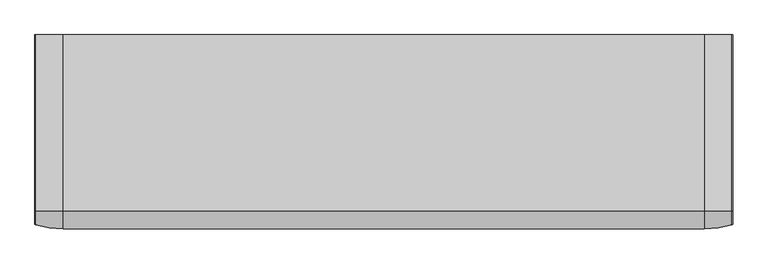
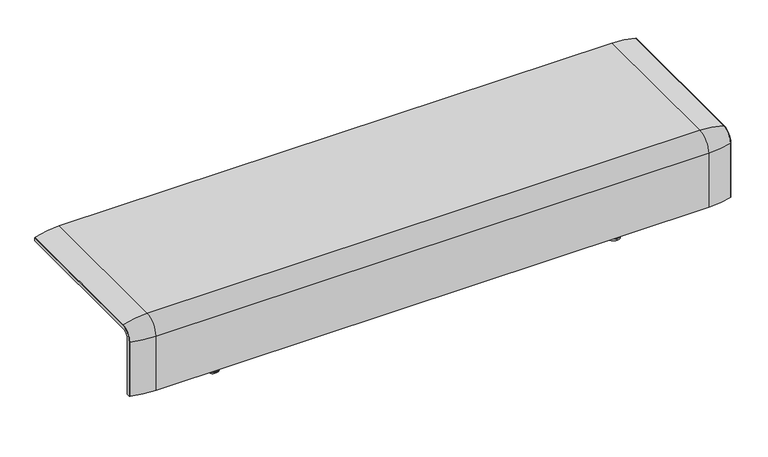
"""IFC4 building model written with IfcOpenShell, lengths in millimetres: furniture geometry."""

from ifc_helpers import new_model, si_unit, point, frame, origin, place, context, project, spatial, polyline, circle_curve, ellipse_curve, trimmed, source, transform, mapped, element, save
from ifc_brep_helpers import plane_surface, cylinder_surface, revolved_surface, advanced_brep


def furniture_37cb71a6(model_context):
    return source(origin(), model_context, "Body", "AdvancedBrep", [
        advanced_brep(
        [(-1223.9718733, -368.7793679, 100.5089435), (-1223.9718733, -357.5, 100.5089435), (1223.9718733, -357.5, 100.5089435), (1223.9718733, -368.7793679, 100.5089435), (1221.8332448, -371.6530483, 100.5089435), (1123.9718733, -386.0043559, 100.5089435), (-1123.9718733, -386.0043559, 100.5089435), (-1221.8332448, -371.6530483, 100.5089435), (-1223.9718733, 295.0, 377.4518019), (-1221.8332448, 295.0, 380.3254823), (-1123.9718733, 295.0, 394.67679), (1123.9718733, 295.0, 394.67679), (1221.8332448, 295.0, 380.3254823), (1223.9718733, 295.0, 377.4518019), (1223.9718733, 295.0, 366.172434), (-1223.9718733, 295.0, 366.172434), (-1223.9718733, -368.7793679, 333.0583003), (-1223.9718733, -324.3858663, 377.4518019), (-1223.9718733, -324.3858663, 366.172434), (-1223.9718733, -357.5, 333.0583003), (1223.9718733, -357.5, 333.0583003), (1123.9718733, -386.0043559, 333.0583003), (-1123.9718733, -386.0043559, 333.0583003), (-1221.8332448, -371.6530483, 333.0583003), (1223.9718733, -324.3858663, 366.172434), (-1123.9718733, -324.3858663, 394.67679), (1123.9718733, -324.3858663, 394.67679), (-1221.8332448, -324.3858663, 380.3254823), (1223.9718733, -324.3858663, 377.4518019), (1223.9718733, -368.7793679, 333.0583003), (1221.8332448, -371.6530483, 333.0583003), (1221.8332448, -324.3858663, 380.3254823)],
        [
            (0, 1),
            (1, 2),
            (2, 3),
            (3, 4, circle_curve(frame((1220.9718733, -368.7793679, 100.5089435), z_axis=(0.0, 0.0, -1.0), x_axis=(-1.0, 0.0, 0.0)), 3.0)),
            (4, 5, circle_curve(frame((1123.9718733, -45.1710226, 100.5089435), z_axis=(0.0, 0.0, -1.0), x_axis=(0.0, 1.0, 0.0)), 340.8333333)),
            (5, 6),
            (6, 7, circle_curve(frame((-1123.9718733, -45.1710226, 100.5089435), z_axis=(0.0, 0.0, -1.0), x_axis=(0.0, 1.0, 0.0)), 340.8333333)),
            (7, 0, circle_curve(frame((-1220.9718733, -368.7793679, 100.5089435), z_axis=(0.0, 0.0, -1.0), x_axis=(1.0, 0.0, 0.0)), 3.0)),
            (8, 9, circle_curve(frame((-1220.9718733, 295.0, 377.4518019), z_axis=(0.0, 1.0, 0.0), x_axis=(1.0, 0.0, 0.0)), 3.0)),
            (9, 10, circle_curve(frame((-1123.9718733, 295.0, 53.8434566), z_axis=(0.0, 1.0, 0.0), x_axis=(0.0, 0.0, -1.0)), 340.8333333)),
            (10, 11),
            (11, 12, circle_curve(frame((1123.9718733, 295.0, 53.8434566), z_axis=(0.0, 1.0, 0.0), x_axis=(0.0, 0.0, -1.0)), 340.8333333)),
            (12, 13, circle_curve(frame((1220.9718733, 295.0, 377.4518019), z_axis=(0.0, 1.0, 0.0), x_axis=(-1.0, 0.0, 0.0)), 3.0)),
            (13, 14),
            (14, 15),
            (15, 8),
            (0, 16),
            (16, 17, circle_curve(frame((-1223.9718733, -324.3858663, 333.0583003), z_axis=(-1.0, 0.0, 0.0), x_axis=(0.0, -1.0, 0.0)), 44.3935016)),
            (17, 8),
            (15, 18),
            (18, 19, circle_curve(frame((-1223.9718733, -324.3858663, 333.0583003), z_axis=(1.0, 0.0, 0.0), x_axis=(0.0, -1.0, 0.0)), 33.1141337)),
            (19, 1),
            (19, 20),
            (20, 2),
            (5, 21),
            (21, 22),
            (22, 6),
            (22, 23, circle_curve(frame((-1123.9718733, -45.1710226, 333.0583003), z_axis=(0.0, 0.0, -1.0), x_axis=(0.0, 1.0, 0.0)), 340.8333333)),
            (23, 7),
            (23, 16, circle_curve(frame((-1220.9718733, -368.7793679, 333.0583003), z_axis=(0.0, 0.0, -1.0), x_axis=(1.0, 0.0, 0.0)), 3.0)),
            (24, 20, circle_curve(frame((1223.9718733, -324.3858663, 333.0583003), z_axis=(1.0, 0.0, 0.0), x_axis=(0.0, -1.0, 0.0)), 33.1141337)),
            (18, 24),
            (25, 22, circle_curve(frame((-1123.9718733, -324.3858663, 333.0583003), z_axis=(1.0, 0.0, 0.0), x_axis=(0.0, -1.0, 0.0)), 61.6184897)),
            (21, 26, circle_curve(frame((1123.9718733, -324.3858663, 333.0583003), z_axis=(-1.0, 0.0, 0.0), x_axis=(0.0, -1.0, 0.0)), 61.6184897)),
            (26, 25),
            (27, 23, circle_curve(frame((-1221.8332448, -324.3858663, 333.0583003), z_axis=(1.0, 0.0, 0.0), x_axis=(0.0, -1.0, 0.0)), 47.267182)),
            (25, 27, circle_curve(frame((-1123.9718733, -324.3858663, 53.8434566), z_axis=(0.0, -1.0, 0.0), x_axis=(0.0, 0.0, -1.0)), 340.8333333)),
            (27, 17, circle_curve(frame((-1220.9718733, -324.3858663, 377.4518019), z_axis=(0.0, -1.0, 0.0), x_axis=(1.0, 0.0, 0.0)), 3.0)),
            (14, 24),
            (26, 11),
            (10, 25),
            (9, 27),
            (13, 28),
            (28, 29, circle_curve(frame((1223.9718733, -324.3858663, 333.0583003), z_axis=(1.0, 0.0, 0.0), x_axis=(0.0, -1.0, 0.0)), 44.3935016)),
            (29, 3),
            (29, 30, circle_curve(frame((1220.9718733, -368.7793679, 333.0583003), z_axis=(0.0, 0.0, -1.0), x_axis=(-1.0, 0.0, 0.0)), 3.0)),
            (30, 4),
            (30, 21, circle_curve(frame((1123.9718733, -45.1710226, 333.0583003), z_axis=(0.0, 0.0, -1.0), x_axis=(0.0, 1.0, 0.0)), 340.8333333)),
            (31, 30, circle_curve(frame((1221.8332448, -324.3858663, 333.0583003), z_axis=(1.0, 0.0, 0.0), x_axis=(0.0, -1.0, 0.0)), 47.267182)),
            (28, 31, circle_curve(frame((1220.9718733, -324.3858663, 377.4518019), z_axis=(0.0, -1.0, 0.0), x_axis=(-1.0, 0.0, 0.0)), 3.0)),
            (31, 26, circle_curve(frame((1123.9718733, -324.3858663, 53.8434566), z_axis=(0.0, -1.0, 0.0), x_axis=(0.0, 0.0, -1.0)), 340.8333333)),
            (12, 31),
        ],
        [
            plane_surface(frame((-1223.9718733, -357.5, 100.5089435), z_axis=(0.0, 0.0, -1.0), x_axis=(1.0, 0.0, 0.0))),
            plane_surface(frame((-1223.9718733, 295.0, 366.172434), z_axis=(0.0, 1.0, 0.0), x_axis=(1.0, 0.0, 0.0))),
            plane_surface(frame((-1223.9718733, -368.7793679, 100.5089435), z_axis=(-1.0, 0.0, 0.0), x_axis=(0.0, 0.0, 1.0))),
            plane_surface(frame((-1223.9718733, -357.5, 100.5089435), z_axis=(0.0, 1.0, 0.0), x_axis=(0.0, 0.0, 1.0))),
            plane_surface(frame((1123.9718733, -386.0043559, 100.5089435), z_axis=(0.0, -1.0, 0.0), x_axis=(0.0, 0.0, 1.0))),
            cylinder_surface(frame((-1123.9718733, -45.1710226, 100.5089435), z_axis=(0.0, 0.0, -1.0), x_axis=(0.0, 1.0, 0.0)), 340.8333333),
            cylinder_surface(frame((-1220.9718733, -368.7793679, 100.5089435), z_axis=(0.0, 0.0, -1.0), x_axis=(1.0, 0.0, 0.0)), 3.0),
            revolved_surface(polyline([(-1223.9718733, -357.5, 333.0583003), (1223.9718733, -357.5, 333.0583003)]), (-1223.9718733, -324.3858663, 333.0583003), (-1.0, 0.0, 0.0)),
            cylinder_surface(frame((-1223.9718733, -324.3858663, 333.0583003), z_axis=(-1.0, 0.0, 0.0), x_axis=(0.0, -1.0, 0.0)), 61.6184897),
            revolved_surface(trimmed(ellipse_curve(frame((-1123.9718733, -45.1710226, 333.0583003), z_axis=(0.0, 0.0, -1.0), x_axis=(0.0, 1.0, 0.0)), 340.8333333, 340.8333333), [point((-1123.9718733, -386.0043559, 333.0583003))], [point((-1221.8332448, -371.6530483, 333.0583003))], True, "CARTESIAN"), (-1223.9718733, -324.3858663, 333.0583003), (-1.0, 0.0, 0.0)),
            revolved_surface(trimmed(ellipse_curve(frame((-1220.9718733, -368.7793679, 333.0583003), z_axis=(0.0, 0.0, -1.0), x_axis=(1.0, 0.0, 0.0)), 3.0, 3.0), [point((-1221.8332448, -371.6530483, 333.0583003))], [point((-1223.9718733, -368.7793679, 333.0583003))], True, "CARTESIAN"), (-1223.9718733, -324.3858663, 333.0583003), (-1.0, 0.0, 0.0)),
            plane_surface(frame((-1223.9718733, -324.3858663, 366.172434), z_axis=(0.0, 0.0, -1.0), x_axis=(0.0, 1.0, 0.0))),
            plane_surface(frame((1123.9718733, -324.3858663, 394.67679), z_axis=(0.0, 0.0, 1.0), x_axis=(0.0, 1.0, 0.0))),
            cylinder_surface(frame((-1123.9718733, -324.3858663, 53.8434566), z_axis=(0.0, -1.0, 0.0), x_axis=(0.0, 0.0, -1.0)), 340.8333333),
            cylinder_surface(frame((-1220.9718733, -324.3858663, 377.4518019), z_axis=(0.0, -1.0, 0.0), x_axis=(1.0, 0.0, 0.0)), 3.0),
            plane_surface(frame((1223.9718733, -357.5, 100.5089435), z_axis=(1.0, 0.0, 0.0), x_axis=(0.0, 0.0, 1.0))),
            cylinder_surface(frame((1220.9718733, -368.7793679, 100.5089435), z_axis=(0.0, 0.0, -1.0), x_axis=(-1.0, 0.0, 0.0)), 3.0),
            cylinder_surface(frame((1123.9718733, -45.1710226, 100.5089435), z_axis=(0.0, 0.0, -1.0), x_axis=(0.0, 1.0, 0.0)), 340.8333333),
            revolved_surface(trimmed(ellipse_curve(frame((1220.9718733, -368.7793679, 333.0583003), z_axis=(0.0, 0.0, -1.0), x_axis=(-1.0, 0.0, 0.0)), 3.0, 3.0), [point((1223.9718733, -368.7793679, 333.0583003))], [point((1221.8332448, -371.6530483, 333.0583003))], True, "CARTESIAN"), (-1223.9718733, -324.3858663, 333.0583003), (-1.0, 0.0, 0.0)),
            revolved_surface(trimmed(ellipse_curve(frame((1123.9718733, -45.1710226, 333.0583003), z_axis=(0.0, 0.0, -1.0), x_axis=(0.0, 1.0, 0.0)), 340.8333333, 340.8333333), [point((1221.8332448, -371.6530483, 333.0583003))], [point((1123.9718733, -386.0043559, 333.0583003))], True, "CARTESIAN"), (-1223.9718733, -324.3858663, 333.0583003), (-1.0, 0.0, 0.0)),
            cylinder_surface(frame((1220.9718733, -324.3858663, 377.4518019), z_axis=(0.0, -1.0, 0.0), x_axis=(-1.0, 0.0, 0.0)), 3.0),
            cylinder_surface(frame((1123.9718733, -324.3858663, 53.8434566), z_axis=(0.0, -1.0, 0.0), x_axis=(0.0, 0.0, -1.0)), 340.8333333),
        ],
        [
            (0, [[1, 2, 3, 4, 5, 6, 7, 8]]),
            (1, [[9, 10, 11, 12, 13, 14, 15, 16]]),
            (2, [[-1, 17, 18, 19, -16, 20, 21, 22]]),
            (3, [[-2, -22, 23, 24]]),
            (4, [[-6, 25, 26, 27]]),
            (5, [[-7, -27, 28, 29]]),
            (6, [[-8, -29, 30, -17]]),
            (7, [[31, -23, -21, 32]]),
            (8, [[33, -26, 34, 35]]),
            (9, [[36, -28, -33, 37]]),
            (10, [[-18, -30, -36, 38]]),
            (11, [[-32, -20, -15, 39]]),
            (12, [[-35, 40, -11, 41]]),
            (13, [[-37, -41, -10, 42]]),
            (14, [[-38, -42, -9, -19]]),
            (15, [[-3, -24, -31, -39, -14, 43, 44, 45]]),
            (16, [[-4, -45, 46, 47]]),
            (17, [[-5, -47, 48, -25]]),
            (18, [[49, -46, -44, 50]]),
            (19, [[-34, -48, -49, 51]]),
            (20, [[-50, -43, -13, 52]]),
            (21, [[-51, -52, -12, -40]]),
        ],
    ),
        advanced_brep(
        [(815.9812488, -250.0000031, 0.0), (815.9812488, -225.0000031, 0.0), (815.9812488, -275.0000031, 0.0), (815.9812488, -262.4715672, 344.8637637), (815.9812488, -237.5284391, 344.8637637), (815.9812488, -250.0000031, 344.8637637), (815.9812488, -262.4715672, 16.2604994), (815.9812488, -237.5284391, 16.2604994), (815.9812488, -273.2294713, 5.5025953), (815.9812488, -226.770535, 5.5025953), (815.9812488, -275.0000031, 5.5025953), (815.9812488, -225.0000031, 5.5025953)],
        [
            (0, 1),
            (1, 2, circle_curve(frame((815.9812488, -250.0000031, 0.0), z_axis=(0.0, 0.0, -1.0), x_axis=(0.0, 1.0, 0.0)), 25.0)),
            (2, 0),
            (2, 1, circle_curve(frame((815.9812488, -250.0000031, 0.0), z_axis=(0.0, 0.0, -1.0), x_axis=(0.0, 1.0, 0.0)), 25.0)),
            (3, 4, circle_curve(frame((815.9812488, -250.0000031, 344.8637637), z_axis=(0.0, 0.0, 1.0), x_axis=(0.0, 1.0, 0.0)), 12.471564)),
            (4, 5),
            (5, 3),
            (4, 3, circle_curve(frame((815.9812488, -250.0000031, 344.8637637), z_axis=(0.0, 0.0, 1.0), x_axis=(0.0, 1.0, 0.0)), 12.471564)),
            (6, 7, circle_curve(frame((815.9812488, -250.0000031, 16.2604994), z_axis=(0.0, 0.0, 1.0), x_axis=(0.0, 1.0, 0.0)), 12.471564)),
            (7, 4),
            (3, 6),
            (7, 6, circle_curve(frame((815.9812488, -250.0000031, 16.2604994), z_axis=(0.0, 0.0, 1.0), x_axis=(0.0, 1.0, 0.0)), 12.471564)),
            (8, 9, circle_curve(frame((815.9812488, -250.0000031, 5.5025953), z_axis=(0.0, 0.0, 1.0), x_axis=(0.0, 1.0, 0.0)), 23.2294681)),
            (9, 7, circle_curve(frame((815.9812488, -226.770535, 16.2604994), z_axis=(-1.0, 0.0, 0.0), x_axis=(0.0, 1.0, 0.0)), 10.7579041)),
            (6, 8, circle_curve(frame((815.9812488, -273.2294713, 16.2604994), z_axis=(-1.0, 0.0, 0.0), x_axis=(0.0, -1.0, 0.0)), 10.7579041)),
            (9, 8, circle_curve(frame((815.9812488, -250.0000031, 5.5025953), z_axis=(0.0, 0.0, 1.0), x_axis=(0.0, 1.0, 0.0)), 23.2294681)),
            (10, 11, circle_curve(frame((815.9812488, -250.0000031, 5.5025953), z_axis=(0.0, 0.0, 1.0), x_axis=(0.0, 1.0, 0.0)), 25.0)),
            (11, 9),
            (8, 10),
            (11, 10, circle_curve(frame((815.9812488, -250.0000031, 5.5025953), z_axis=(0.0, 0.0, 1.0), x_axis=(0.0, 1.0, 0.0)), 25.0)),
            (1, 11),
            (10, 2),
        ],
        [
            plane_surface(frame((815.9812488, -250.0000031, 0.0), z_axis=(0.0, 0.0, -1.0), x_axis=(0.0, 1.0, 0.0))),
            plane_surface(frame((815.9812488, -250.0000031, 344.8637637), z_axis=(0.0, 0.0, 1.0), x_axis=(0.0, 1.0, 0.0))),
            cylinder_surface(frame((815.9812488, -250.0000031, 344.8637637), z_axis=(0.0, 0.0, -1.0), x_axis=(0.0, 1.0, 0.0)), 12.471564),
            revolved_surface(trimmed(ellipse_curve(frame((815.9812488, -226.770535, 16.2604994), z_axis=(1.0, 0.0, 0.0), x_axis=(0.0, 1.0, 0.0)), 10.7579041, 10.7579041), [point((815.9812488, -237.5284391, 16.2604994))], [point((815.9812488, -226.770535, 5.5025953))], True, "CARTESIAN"), (815.9812488, -250.0000031, 344.8637637), (0.0, 0.0, -1.0)),
            plane_surface(frame((815.9812488, -250.0000031, 5.5025953), z_axis=(0.0, 0.0, 1.0), x_axis=(0.0, 1.0, 0.0))),
            cylinder_surface(frame((815.9812488, -250.0000031, 344.8637637), z_axis=(0.0, 0.0, -1.0), x_axis=(0.0, 1.0, 0.0)), 25.0),
        ],
        [
            (0, [[1, 2, 3]]),
            (0, [[-3, 4, -1]]),
            (1, [[5, 6, 7]]),
            (1, [[8, -7, -6]]),
            (2, [[9, 10, -5, 11]]),
            (2, [[12, -11, -8, -10]]),
            (3, [[13, 14, -9, 15]]),
            (3, [[16, -15, -12, -14]]),
            (4, [[17, 18, -13, 19]]),
            (4, [[20, -19, -16, -18]]),
            (5, [[-2, 21, -17, 22]]),
            (5, [[-4, -22, -20, -21]]),
        ],
    ),
        advanced_brep(
        [(815.9812488, 275.0000031, 0.0), (815.9812488, 225.0000031, 0.0), (815.9812488, 250.0000031, 0.0), (815.9812488, 250.0000031, 344.8637637), (815.9812488, 237.5284391, 344.8637637), (815.9812488, 262.4715672, 344.8637637), (815.9812488, 237.5284391, 16.2604994), (815.9812488, 262.4715672, 16.2604994), (815.9812488, 226.770535, 5.5025953), (815.9812488, 273.2294713, 5.5025953), (815.9812488, 225.0000031, 5.5025953), (815.9812488, 275.0000031, 5.5025953)],
        [
            (0, 1, circle_curve(frame((815.9812488, 250.0000031, 0.0), z_axis=(0.0, 0.0, -1.0), x_axis=(0.0, -1.0, 0.0)), 25.0)),
            (1, 2),
            (2, 0),
            (1, 0, circle_curve(frame((815.9812488, 250.0000031, 0.0), z_axis=(0.0, 0.0, -1.0), x_axis=(0.0, -1.0, 0.0)), 25.0)),
            (3, 4),
            (4, 5, circle_curve(frame((815.9812488, 250.0000031, 344.8637637), z_axis=(0.0, 0.0, 1.0), x_axis=(0.0, -1.0, 0.0)), 12.471564)),
            (5, 3),
            (5, 4, circle_curve(frame((815.9812488, 250.0000031, 344.8637637), z_axis=(0.0, 0.0, 1.0), x_axis=(0.0, -1.0, 0.0)), 12.471564)),
            (4, 6),
            (6, 7, circle_curve(frame((815.9812488, 250.0000031, 16.2604994), z_axis=(0.0, 0.0, 1.0), x_axis=(0.0, -1.0, 0.0)), 12.471564)),
            (7, 5),
            (7, 6, circle_curve(frame((815.9812488, 250.0000031, 16.2604994), z_axis=(0.0, 0.0, 1.0), x_axis=(0.0, -1.0, 0.0)), 12.471564)),
            (6, 8, circle_curve(frame((815.9812488, 226.770535, 16.2604994), z_axis=(-1.0, 0.0, 0.0), x_axis=(0.0, -1.0, 0.0)), 10.7579041)),
            (8, 9, circle_curve(frame((815.9812488, 250.0000031, 5.5025953), z_axis=(0.0, 0.0, 1.0), x_axis=(0.0, -1.0, 0.0)), 23.2294681)),
            (9, 7, circle_curve(frame((815.9812488, 273.2294713, 16.2604994), z_axis=(-1.0, 0.0, 0.0), x_axis=(0.0, 1.0, 0.0)), 10.7579041)),
            (9, 8, circle_curve(frame((815.9812488, 250.0000031, 5.5025953), z_axis=(0.0, 0.0, 1.0), x_axis=(0.0, -1.0, 0.0)), 23.2294681)),
            (8, 10),
            (10, 11, circle_curve(frame((815.9812488, 250.0000031, 5.5025953), z_axis=(0.0, 0.0, 1.0), x_axis=(0.0, -1.0, 0.0)), 25.0)),
            (11, 9),
            (11, 10, circle_curve(frame((815.9812488, 250.0000031, 5.5025953), z_axis=(0.0, 0.0, 1.0), x_axis=(0.0, -1.0, 0.0)), 25.0)),
            (10, 1),
            (0, 11),
        ],
        [
            plane_surface(frame((815.9812488, 250.0000031, 0.0), z_axis=(0.0, 0.0, -1.0), x_axis=(0.0, -1.0, 0.0))),
            plane_surface(frame((815.9812488, 250.0000031, 344.8637637), z_axis=(0.0, 0.0, 1.0), x_axis=(0.0, -1.0, 0.0))),
            cylinder_surface(frame((815.9812488, 250.0000031, 344.8637637), z_axis=(0.0, 0.0, 1.0), x_axis=(0.0, -1.0, 0.0)), 12.471564),
            revolved_surface(trimmed(ellipse_curve(frame((815.9812488, 226.770535, 16.2604994), z_axis=(1.0, 0.0, 0.0), x_axis=(0.0, -1.0, 0.0)), 10.7579041, 10.7579041), [point((815.9812488, 226.770535, 5.5025953))], [point((815.9812488, 237.5284391, 16.2604994))], True, "CARTESIAN"), (815.9812488, 250.0000031, 344.8637637), (0.0, 0.0, 1.0)),
            plane_surface(frame((815.9812488, 250.0000031, 5.5025953), z_axis=(0.0, 0.0, 1.0), x_axis=(0.0, -1.0, 0.0))),
            cylinder_surface(frame((815.9812488, 250.0000031, 344.8637637), z_axis=(0.0, 0.0, 1.0), x_axis=(0.0, -1.0, 0.0)), 25.0),
        ],
        [
            (0, [[1, 2, 3]]),
            (0, [[4, -3, -2]]),
            (1, [[5, 6, 7]]),
            (1, [[-7, 8, -5]]),
            (2, [[-6, 9, 10, 11]]),
            (2, [[-8, -11, 12, -9]]),
            (3, [[-10, 13, 14, 15]]),
            (3, [[-12, -15, 16, -13]]),
            (4, [[-14, 17, 18, 19]]),
            (4, [[-16, -19, 20, -17]]),
            (5, [[-18, 21, -1, 22]]),
            (5, [[-20, -22, -4, -21]]),
        ],
    ),
        advanced_brep(
        [(-815.9812488, -275.0000031, 0.0), (-815.9812488, -225.0000031, 0.0), (-815.9812488, -250.0000031, 0.0), (-815.9812488, -250.0000031, 344.8637637), (-815.9812488, -237.5284391, 344.8637637), (-815.9812488, -262.4715672, 344.8637637), (-815.9812488, -237.5284391, 16.2604994), (-815.9812488, -262.4715672, 16.2604994), (-815.9812488, -226.770535, 5.5025953), (-815.9812488, -273.2294713, 5.5025953), (-815.9812488, -225.0000031, 5.5025953), (-815.9812488, -275.0000031, 5.5025953)],
        [
            (0, 1, circle_curve(frame((-815.9812488, -250.0000031, 0.0), z_axis=(0.0, 0.0, -1.0), x_axis=(0.0, 1.0, 0.0)), 25.0)),
            (1, 2),
            (2, 0),
            (1, 0, circle_curve(frame((-815.9812488, -250.0000031, 0.0), z_axis=(0.0, 0.0, -1.0), x_axis=(0.0, 1.0, 0.0)), 25.0)),
            (3, 4),
            (4, 5, circle_curve(frame((-815.9812488, -250.0000031, 344.8637637), z_axis=(0.0, 0.0, 1.0), x_axis=(0.0, 1.0, 0.0)), 12.471564)),
            (5, 3),
            (5, 4, circle_curve(frame((-815.9812488, -250.0000031, 344.8637637), z_axis=(0.0, 0.0, 1.0), x_axis=(0.0, 1.0, 0.0)), 12.471564)),
            (4, 6),
            (6, 7, circle_curve(frame((-815.9812488, -250.0000031, 16.2604994), z_axis=(0.0, 0.0, 1.0), x_axis=(0.0, 1.0, 0.0)), 12.471564)),
            (7, 5),
            (7, 6, circle_curve(frame((-815.9812488, -250.0000031, 16.2604994), z_axis=(0.0, 0.0, 1.0), x_axis=(0.0, 1.0, 0.0)), 12.471564)),
            (6, 8, circle_curve(frame((-815.9812488, -226.770535, 16.2604994), z_axis=(1.0, 0.0, 0.0), x_axis=(0.0, 1.0, 0.0)), 10.7579041)),
            (8, 9, circle_curve(frame((-815.9812488, -250.0000031, 5.5025953), z_axis=(0.0, 0.0, 1.0), x_axis=(0.0, 1.0, 0.0)), 23.2294681)),
            (9, 7, circle_curve(frame((-815.9812488, -273.2294713, 16.2604994), z_axis=(1.0, 0.0, 0.0), x_axis=(0.0, -1.0, 0.0)), 10.7579041)),
            (9, 8, circle_curve(frame((-815.9812488, -250.0000031, 5.5025953), z_axis=(0.0, 0.0, 1.0), x_axis=(0.0, 1.0, 0.0)), 23.2294681)),
            (8, 10),
            (10, 11, circle_curve(frame((-815.9812488, -250.0000031, 5.5025953), z_axis=(0.0, 0.0, 1.0), x_axis=(0.0, 1.0, 0.0)), 25.0)),
            (11, 9),
            (11, 10, circle_curve(frame((-815.9812488, -250.0000031, 5.5025953), z_axis=(0.0, 0.0, 1.0), x_axis=(0.0, 1.0, 0.0)), 25.0)),
            (10, 1),
            (0, 11),
        ],
        [
            plane_surface(frame((-815.9812488, -250.0000031, 0.0), z_axis=(0.0, 0.0, -1.0), x_axis=(0.0, 1.0, 0.0))),
            plane_surface(frame((-815.9812488, -250.0000031, 344.8637637), z_axis=(0.0, 0.0, 1.0), x_axis=(0.0, 1.0, 0.0))),
            cylinder_surface(frame((-815.9812488, -250.0000031, 344.8637637), z_axis=(0.0, 0.0, 1.0), x_axis=(0.0, 1.0, 0.0)), 12.471564),
            revolved_surface(trimmed(ellipse_curve(frame((-815.9812488, -226.770535, 16.2604994), z_axis=(-1.0, 0.0, 0.0), x_axis=(0.0, 1.0, 0.0)), 10.7579041, 10.7579041), [point((-815.9812488, -226.770535, 5.5025953))], [point((-815.9812488, -237.5284391, 16.2604994))], True, "CARTESIAN"), (-815.9812488, -250.0000031, 344.8637637), (0.0, 0.0, 1.0)),
            plane_surface(frame((-815.9812488, -250.0000031, 5.5025953), z_axis=(0.0, 0.0, 1.0), x_axis=(0.0, 1.0, 0.0))),
            cylinder_surface(frame((-815.9812488, -250.0000031, 344.8637637), z_axis=(0.0, 0.0, 1.0), x_axis=(0.0, 1.0, 0.0)), 25.0),
        ],
        [
            (0, [[1, 2, 3]]),
            (0, [[4, -3, -2]]),
            (1, [[5, 6, 7]]),
            (1, [[-7, 8, -5]]),
            (2, [[-6, 9, 10, 11]]),
            (2, [[-8, -11, 12, -9]]),
            (3, [[-10, 13, 14, 15]]),
            (3, [[-12, -15, 16, -13]]),
            (4, [[-14, 17, 18, 19]]),
            (4, [[-16, -19, 20, -17]]),
            (5, [[-18, 21, -1, 22]]),
            (5, [[-20, -22, -4, -21]]),
        ],
    ),
        advanced_brep(
        [(-815.9812488, 250.0000031, 0.0), (-815.9812488, 225.0000031, 0.0), (-815.9812488, 275.0000031, 0.0), (-815.9812488, 262.4715672, 344.8637637), (-815.9812488, 237.5284391, 344.8637637), (-815.9812488, 250.0000031, 344.8637637), (-815.9812488, 262.4715672, 16.2604994), (-815.9812488, 237.5284391, 16.2604994), (-815.9812488, 273.2294713, 5.5025953), (-815.9812488, 226.770535, 5.5025953), (-815.9812488, 275.0000031, 5.5025953), (-815.9812488, 225.0000031, 5.5025953)],
        [
            (0, 1),
            (1, 2, circle_curve(frame((-815.9812488, 250.0000031, 0.0), z_axis=(0.0, 0.0, -1.0), x_axis=(0.0, -1.0, 0.0)), 25.0)),
            (2, 0),
            (2, 1, circle_curve(frame((-815.9812488, 250.0000031, 0.0), z_axis=(0.0, 0.0, -1.0), x_axis=(0.0, -1.0, 0.0)), 25.0)),
            (3, 4, circle_curve(frame((-815.9812488, 250.0000031, 344.8637637), z_axis=(0.0, 0.0, 1.0), x_axis=(0.0, -1.0, 0.0)), 12.471564)),
            (4, 5),
            (5, 3),
            (4, 3, circle_curve(frame((-815.9812488, 250.0000031, 344.8637637), z_axis=(0.0, 0.0, 1.0), x_axis=(0.0, -1.0, 0.0)), 12.471564)),
            (6, 7, circle_curve(frame((-815.9812488, 250.0000031, 16.2604994), z_axis=(0.0, 0.0, 1.0), x_axis=(0.0, -1.0, 0.0)), 12.471564)),
            (7, 4),
            (3, 6),
            (7, 6, circle_curve(frame((-815.9812488, 250.0000031, 16.2604994), z_axis=(0.0, 0.0, 1.0), x_axis=(0.0, -1.0, 0.0)), 12.471564)),
            (8, 9, circle_curve(frame((-815.9812488, 250.0000031, 5.5025953), z_axis=(0.0, 0.0, 1.0), x_axis=(0.0, -1.0, 0.0)), 23.2294681)),
            (9, 7, circle_curve(frame((-815.9812488, 226.770535, 16.2604994), z_axis=(1.0, 0.0, 0.0), x_axis=(0.0, -1.0, 0.0)), 10.7579041)),
            (6, 8, circle_curve(frame((-815.9812488, 273.2294713, 16.2604994), z_axis=(1.0, 0.0, 0.0), x_axis=(0.0, 1.0, 0.0)), 10.7579041)),
            (9, 8, circle_curve(frame((-815.9812488, 250.0000031, 5.5025953), z_axis=(0.0, 0.0, 1.0), x_axis=(0.0, -1.0, 0.0)), 23.2294681)),
            (10, 11, circle_curve(frame((-815.9812488, 250.0000031, 5.5025953), z_axis=(0.0, 0.0, 1.0), x_axis=(0.0, -1.0, 0.0)), 25.0)),
            (11, 9),
            (8, 10),
            (11, 10, circle_curve(frame((-815.9812488, 250.0000031, 5.5025953), z_axis=(0.0, 0.0, 1.0), x_axis=(0.0, -1.0, 0.0)), 25.0)),
            (1, 11),
            (10, 2),
        ],
        [
            plane_surface(frame((-815.9812488, 250.0000031, 0.0), z_axis=(0.0, 0.0, -1.0), x_axis=(0.0, -1.0, 0.0))),
            plane_surface(frame((-815.9812488, 250.0000031, 344.8637637), z_axis=(0.0, 0.0, 1.0), x_axis=(0.0, -1.0, 0.0))),
            cylinder_surface(frame((-815.9812488, 250.0000031, 344.8637637), z_axis=(0.0, 0.0, -1.0), x_axis=(0.0, -1.0, 0.0)), 12.471564),
            revolved_surface(trimmed(ellipse_curve(frame((-815.9812488, 226.770535, 16.2604994), z_axis=(-1.0, 0.0, 0.0), x_axis=(0.0, -1.0, 0.0)), 10.7579041, 10.7579041), [point((-815.9812488, 237.5284391, 16.2604994))], [point((-815.9812488, 226.770535, 5.5025953))], True, "CARTESIAN"), (-815.9812488, 250.0000031, 344.8637637), (0.0, 0.0, -1.0)),
            plane_surface(frame((-815.9812488, 250.0000031, 5.5025953), z_axis=(0.0, 0.0, 1.0), x_axis=(0.0, -1.0, 0.0))),
            cylinder_surface(frame((-815.9812488, 250.0000031, 344.8637637), z_axis=(0.0, 0.0, -1.0), x_axis=(0.0, -1.0, 0.0)), 25.0),
        ],
        [
            (0, [[1, 2, 3]]),
            (0, [[-3, 4, -1]]),
            (1, [[5, 6, 7]]),
            (1, [[8, -7, -6]]),
            (2, [[9, 10, -5, 11]]),
            (2, [[12, -11, -8, -10]]),
            (3, [[13, 14, -9, 15]]),
            (3, [[16, -15, -12, -14]]),
            (4, [[17, 18, -13, 19]]),
            (4, [[20, -19, -16, -18]]),
            (5, [[-2, 21, -17, 22]]),
            (5, [[-4, -22, -20, -21]]),
        ],
    ),
        advanced_brep(
        [(-407.9906244, -230.0000056, 346.6346058), (-407.9906244, -232.0000018, 346.6346058), (-381.9939756, -232.0000018, 346.6346058), (-381.9939756, -230.0000056, 346.6346058), (-407.9906244, -268.0000023, 346.6346058), (-407.9906244, -270.0000061, 346.6346058), (-381.9939756, -270.0000061, 346.6346058), (-381.9939756, -268.0000023, 346.6346058), (-371.9939756, -232.0000018, 356.6346058), (-371.9939756, -230.0000056, 356.6346058), (-371.9939756, -270.0000061, 356.6346058), (-371.9939756, -268.0000023, 356.6346058), (-371.9939756, -232.0000018, 357.9224338), (-371.9939756, -268.0000023, 357.9224338), (-371.9939756, -270.0000061, 359.922434), (-371.9939756, -230.0000056, 359.922434), (-443.9872732, -232.0000018, 356.6346058), (-443.9872732, -230.0000056, 356.6346058), (-443.9872732, -230.0000056, 359.922434), (-443.9872732, -270.0000061, 359.922434), (-443.9872732, -270.0000061, 356.6346058), (-443.9872732, -268.0000023, 356.6346058), (-443.9872732, -268.0000023, 357.9224338), (-443.9872732, -232.0000018, 357.9224338), (-433.9872732, -230.0000056, 346.6346058), (-433.9872732, -232.0000018, 346.6346058), (-433.9872732, -268.0000023, 346.6346058), (-433.9872732, -270.0000061, 346.6346058), (1060.9822296, -230.0000056, 359.922434), (1060.9822296, -270.0000061, 359.922434), (1060.9822296, -270.0000061, 299.9223263), (1060.9822296, -230.0000056, 299.9223263), (1060.9822296, -268.0000023, 301.9086098), (1060.9822296, -268.0000023, 357.9224338), (1060.9822296, -232.0000018, 357.9224338), (1060.9822296, -232.0000018, 301.9086098), (-1060.9822296, -230.0000056, 359.922434), (-1060.9822296, -230.0000056, 299.9223263), (-1060.9822296, -270.0000061, 299.9223263), (-1060.9822296, -270.0000061, 359.922434), (-1060.9822296, -268.0000023, 301.9086098), (-1060.9822296, -232.0000018, 301.9086098), (-1060.9822296, -232.0000018, 357.9224338), (-1060.9822296, -268.0000023, 357.9224338), (371.9939756, -230.0000056, 359.922434), (371.9939756, -230.0000056, 356.6346058), (381.9939756, -230.0000056, 346.6346058), (407.9906244, -230.0000056, 346.6346058), (433.9872732, -230.0000056, 346.6346058), (443.9872732, -230.0000056, 356.6346058), (443.9872732, -230.0000056, 359.922434), (443.9872732, -270.0000061, 359.922434), (443.9872732, -270.0000061, 356.6346058), (433.9872732, -270.0000061, 346.6346058), (407.9906244, -270.0000061, 346.6346058), (381.9939756, -270.0000061, 346.6346058), (371.9939756, -270.0000061, 356.6346058), (371.9939756, -270.0000061, 359.922434), (-568.96075, -270.0000061, 357.9224338), (-532.9720684, -270.0000061, 357.9224338), (-532.9720684, -270.0000061, 301.9086098), (-568.96075, -270.0000061, 301.9086098), (-283.0091805, -270.0000061, 357.9224338), (-247.0204988, -270.0000061, 357.9224338), (-247.0204988, -270.0000061, 301.9086098), (-283.0091805, -270.0000061, 301.9086098), (247.0204988, -270.0000061, 357.9224338), (283.0091805, -270.0000061, 357.9224338), (283.0091805, -270.0000061, 301.9086098), (247.0204988, -270.0000061, 301.9086098), (532.9720684, -270.0000061, 357.9224338), (568.96075, -270.0000061, 357.9224338), (568.96075, -270.0000061, 301.9086098), (532.9720684, -270.0000061, 301.9086098), (-568.96075, -268.0000023, 301.9086098), (-532.9720684, -268.0000023, 301.9086098), (-283.0091805, -268.0000023, 301.9086098), (-247.0204988, -268.0000023, 301.9086098), (247.0204988, -268.0000023, 301.9086098), (283.0091805, -268.0000023, 301.9086098), (532.9720684, -268.0000023, 301.9086098), (568.96075, -268.0000023, 301.9086098), (443.9872732, -232.0000018, 357.9224338), (443.9872732, -232.0000018, 356.6346058), (433.9872732, -232.0000018, 346.6346058), (407.9906244, -232.0000018, 346.6346058), (381.9939756, -232.0000018, 346.6346058), (371.9939756, -232.0000018, 356.6346058), (371.9939756, -232.0000018, 357.9224338), (568.96075, -268.0000023, 357.9224338), (532.9720684, -268.0000023, 357.9224338), (443.9872732, -268.0000023, 357.9224338), (-532.9720684, -268.0000023, 357.9224338), (-568.96075, -268.0000023, 357.9224338), (371.9939756, -268.0000023, 357.9224338), (283.0091805, -268.0000023, 357.9224338), (247.0204988, -268.0000023, 357.9224338), (-247.0204988, -268.0000023, 357.9224338), (-283.0091805, -268.0000023, 357.9224338), (407.9906244, -268.0000023, 346.6346058), (433.9872732, -268.0000023, 346.6346058), (443.9872732, -268.0000023, 356.6346058), (371.9939756, -268.0000023, 356.6346058), (381.9939756, -268.0000023, 346.6346058)],
        [
            (0, 1),
            (1, 2),
            (2, 3),
            (3, 0),
            (4, 5),
            (5, 6),
            (6, 7),
            (7, 4),
            (2, 8, circle_curve(frame((-381.9939756, -232.0000018, 356.6346058), z_axis=(0.0, -1.0, 0.0), x_axis=(-1.0, 0.0, 0.0)), 10.0)),
            (8, 9),
            (9, 3, circle_curve(frame((-381.9939756, -230.0000056, 356.6346058), z_axis=(0.0, 1.0, 0.0), x_axis=(-1.0, 0.0, 0.0)), 10.0)),
            (6, 10, circle_curve(frame((-381.9939756, -270.0000061, 356.6346058), z_axis=(0.0, -1.0, 0.0), x_axis=(-1.0, 0.0, 0.0)), 10.0)),
            (10, 11),
            (11, 7, circle_curve(frame((-381.9939756, -268.0000023, 356.6346058), z_axis=(0.0, 1.0, 0.0), x_axis=(-1.0, 0.0, 0.0)), 10.0)),
            (8, 12),
            (12, 13),
            (13, 11),
            (10, 14),
            (14, 15),
            (15, 9),
            (16, 17),
            (17, 18),
            (18, 19),
            (19, 20),
            (20, 21),
            (21, 22),
            (22, 23),
            (23, 16),
            (0, 24),
            (24, 25),
            (25, 1),
            (4, 26),
            (26, 27),
            (27, 5),
            (24, 17, circle_curve(frame((-433.9872732, -230.0000056, 356.6346058), z_axis=(0.0, 1.0, 0.0), x_axis=(1.0, 0.0, 0.0)), 10.0)),
            (16, 25, circle_curve(frame((-433.9872732, -232.0000018, 356.6346058), z_axis=(0.0, -1.0, 0.0), x_axis=(1.0, 0.0, 0.0)), 10.0)),
            (26, 21, circle_curve(frame((-433.9872732, -268.0000023, 356.6346058), z_axis=(0.0, 1.0, 0.0), x_axis=(1.0, 0.0, 0.0)), 10.0)),
            (20, 27, circle_curve(frame((-433.9872732, -270.0000061, 356.6346058), z_axis=(0.0, -1.0, 0.0), x_axis=(1.0, 0.0, 0.0)), 10.0)),
            (28, 29),
            (29, 30),
            (30, 31),
            (31, 28),
            (32, 33),
            (33, 34),
            (34, 35),
            (35, 32),
            (36, 37),
            (37, 38),
            (38, 39),
            (39, 36),
            (40, 41),
            (41, 42),
            (42, 43),
            (43, 40),
            (31, 37),
            (36, 18),
            (15, 44),
            (44, 45),
            (45, 46, circle_curve(frame((381.9939756, -230.0000056, 356.6346058), z_axis=(0.0, -1.0, 0.0), x_axis=(1.0, 0.0, 0.0)), 10.0)),
            (46, 47),
            (47, 48),
            (48, 49, circle_curve(frame((433.9872732, -230.0000056, 356.6346058), z_axis=(0.0, -1.0, 0.0), x_axis=(-1.0, 0.0, 0.0)), 10.0)),
            (49, 50),
            (50, 28),
            (30, 38),
            (29, 51),
            (51, 52),
            (52, 53, circle_curve(frame((433.9872732, -270.0000061, 356.6346058), z_axis=(0.0, 1.0, 0.0), x_axis=(-1.0, 0.0, 0.0)), 10.0)),
            (53, 54),
            (54, 55),
            (55, 56, circle_curve(frame((381.9939756, -270.0000061, 356.6346058), z_axis=(0.0, 1.0, 0.0), x_axis=(1.0, 0.0, 0.0)), 10.0)),
            (56, 57),
            (57, 14),
            (19, 39),
            (58, 59),
            (59, 60),
            (60, 61),
            (61, 58),
            (62, 63),
            (63, 64),
            (64, 65),
            (65, 62),
            (66, 67),
            (67, 68),
            (68, 69),
            (69, 66),
            (70, 71),
            (71, 72),
            (72, 73),
            (73, 70),
            (50, 51),
            (57, 44),
            (35, 41),
            (40, 74),
            (74, 61),
            (60, 75),
            (75, 76),
            (76, 65),
            (64, 77),
            (77, 78),
            (78, 69),
            (68, 79),
            (79, 80),
            (80, 73),
            (72, 81),
            (81, 32),
            (34, 82),
            (82, 83),
            (83, 84, circle_curve(frame((433.9872732, -232.0000018, 356.6346058), z_axis=(0.0, 1.0, 0.0), x_axis=(-1.0, 0.0, 0.0)), 10.0)),
            (84, 85),
            (85, 86),
            (86, 87, circle_curve(frame((381.9939756, -232.0000018, 356.6346058), z_axis=(0.0, 1.0, 0.0), x_axis=(1.0, 0.0, 0.0)), 10.0)),
            (87, 88),
            (88, 12),
            (23, 42),
            (33, 89),
            (89, 71),
            (70, 90),
            (90, 91),
            (91, 82),
            (22, 92),
            (92, 59),
            (58, 93),
            (93, 43),
            (88, 94),
            (94, 95),
            (95, 67),
            (66, 96),
            (96, 97),
            (97, 63),
            (62, 98),
            (98, 13),
            (81, 89),
            (93, 74),
            (98, 76),
            (75, 92),
            (77, 97),
            (96, 78),
            (99, 100),
            (100, 101, circle_curve(frame((433.9872732, -268.0000023, 356.6346058), z_axis=(0.0, -1.0, 0.0), x_axis=(-1.0, 0.0, 0.0)), 10.0)),
            (101, 91),
            (90, 80),
            (79, 95),
            (94, 102),
            (102, 103, circle_curve(frame((381.9939756, -268.0000023, 356.6346058), z_axis=(0.0, -1.0, 0.0), x_axis=(1.0, 0.0, 0.0)), 10.0)),
            (103, 99),
            (47, 85),
            (84, 48),
            (99, 54),
            (53, 100),
            (83, 49),
            (52, 101),
            (87, 45),
            (56, 102),
            (46, 86),
            (103, 55),
        ],
        [
            plane_surface(frame((-407.9906244, -287.5262628, 346.6346058), z_axis=(0.0, 0.0, 1.0), x_axis=(0.0, 1.0, 0.0))),
            revolved_surface(polyline([(-391.9939756, -232.0000018, 356.6346058), (-391.9939756, -230.00000560000007, 356.6346058)]), (-381.9939756, 314.3107458, 356.6346058), (0.0, -1.0, 0.0)),
            revolved_surface(polyline([(-391.9939756, -270.0000061, 356.6346058), (-391.9939756, -268.00000229999995, 356.6346058)]), (-381.9939756, 314.3107458, 356.6346058), (0.0, -1.0, 0.0)),
            plane_surface(frame((-371.9939756, -287.5262628, 356.6346058), z_axis=(-1.0, 0.0, 0.0), x_axis=(0.0, 1.0, 0.0))),
            plane_surface(frame((-443.9872732, -287.5262628, 378.869628), z_axis=(1.0, 0.0, 0.0), x_axis=(0.0, 1.0, 0.0))),
            plane_surface(frame((-433.9872732, -287.5262628, 346.6346058), z_axis=(0.0, 0.0, 1.0), x_axis=(0.0, 1.0, 0.0))),
            revolved_surface(polyline([(-423.9872732, -232.0000018, 356.6346058), (-423.9872732, -230.00000560000007, 356.6346058)]), (-433.9872732, 314.3107458, 356.6346058), (0.0, -1.0, 0.0)),
            revolved_surface(polyline([(-423.9872732, -270.0000061, 356.6346058), (-423.9872732, -268.00000229999995, 356.6346058)]), (-433.9872732, 314.3107458, 356.6346058), (0.0, -1.0, 0.0)),
            plane_surface(frame((1060.9822296, -270.0000061, 359.922434), z_axis=(1.0, 0.0, 0.0), x_axis=(0.0, -1.0, 0.0))),
            plane_surface(frame((-1060.9822296, -270.0000061, 359.922434), z_axis=(-1.0, 0.0, 0.0), x_axis=(0.0, 1.0, 0.0))),
            plane_surface(frame((1060.9822296, -230.0000056, 299.9223263), z_axis=(0.0, 1.0, 0.0), x_axis=(-1.0, 0.0, 0.0))),
            plane_surface(frame((1060.9822296, -270.0000061, 299.9223263), z_axis=(0.0, 0.0, -1.0), x_axis=(-1.0, 0.0, 0.0))),
            plane_surface(frame((1060.9822296, -270.0000061, 359.922434), z_axis=(0.0, -1.0, 0.0), x_axis=(-1.0, 0.0, 0.0))),
            plane_surface(frame((1060.9822296, -230.0000056, 359.922434), z_axis=(0.0, 0.0, 1.0), x_axis=(-1.0, 0.0, 0.0))),
            plane_surface(frame((1060.9822296, -232.0000018, 301.9086098), z_axis=(0.0, 0.0, 1.0), x_axis=(-1.0, 0.0, 0.0))),
            plane_surface(frame((1060.9822296, -232.0000018, 357.9224338), z_axis=(0.0, -1.0, 0.0), x_axis=(-1.0, 0.0, 0.0))),
            plane_surface(frame((1060.9822296, -268.0000023, 357.9224338), z_axis=(0.0, 0.0, -1.0), x_axis=(-1.0, 0.0, 0.0))),
            plane_surface(frame((1060.9822296, -268.0000023, 301.9086098), z_axis=(0.0, 1.0, 0.0), x_axis=(-1.0, 0.0, 0.0))),
            plane_surface(frame((-568.96075, -282.4008656, 357.9224338), z_axis=(1.0, 0.0, 0.0), x_axis=(0.0, 1.0, 0.0))),
            plane_surface(frame((-532.9720684, -282.4008656, 301.9086098), z_axis=(-1.0, 0.0, 0.0), x_axis=(0.0, 1.0, 0.0))),
            plane_surface(frame((-247.0204988, -282.4008656, 301.9086098), z_axis=(-1.0, 0.0, 0.0), x_axis=(0.0, 1.0, 0.0))),
            plane_surface(frame((-283.0091805, -282.4008656, 357.9224338), z_axis=(1.0, 0.0, 0.0), x_axis=(0.0, 1.0, 0.0))),
            plane_surface(frame((407.9906244, -287.5262628, 346.6346058), z_axis=(0.0, 0.0, 1.0), x_axis=(0.0, 1.0, 0.0))),
            revolved_surface(polyline([(423.9872732, -232.0000018, 356.6346058), (423.9872732, -230.00000560000007, 356.6346058)]), (433.9872732, 314.3107458, 356.6346058), (0.0, -1.0, 0.0)),
            revolved_surface(polyline([(423.9872732, -270.0000061, 356.6346058), (423.9872732, -268.00000229999995, 356.6346058)]), (433.9872732, 314.3107458, 356.6346058), (0.0, -1.0, 0.0)),
            plane_surface(frame((443.9872732, -287.5262628, 356.6346058), z_axis=(-1.0, 0.0, 0.0), x_axis=(0.0, 1.0, 0.0))),
            plane_surface(frame((371.9939756, -287.5262628, 378.869628), z_axis=(1.0, 0.0, 0.0), x_axis=(0.0, 1.0, 0.0))),
            plane_surface(frame((381.9939756, -287.5262628, 346.6346058), z_axis=(0.0, 0.0, 1.0), x_axis=(0.0, 1.0, 0.0))),
            revolved_surface(polyline([(391.9939756, -232.0000018, 356.6346058), (391.9939756, -230.00000560000007, 356.6346058)]), (381.9939756, 314.3107458, 356.6346058), (0.0, -1.0, 0.0)),
            revolved_surface(polyline([(391.9939756, -270.0000061, 356.6346058), (391.9939756, -268.00000229999995, 356.6346058)]), (381.9939756, 314.3107458, 356.6346058), (0.0, -1.0, 0.0)),
            plane_surface(frame((247.0204988, -282.4008656, 357.9224338), z_axis=(1.0, 0.0, 0.0), x_axis=(0.0, 1.0, 0.0))),
            plane_surface(frame((283.0091805, -282.4008656, 301.9086098), z_axis=(-1.0, 0.0, 0.0), x_axis=(0.0, 1.0, 0.0))),
            plane_surface(frame((568.96075, -282.4008656, 301.9086098), z_axis=(-1.0, 0.0, 0.0), x_axis=(0.0, 1.0, 0.0))),
            plane_surface(frame((532.9720684, -282.4008656, 357.9224338), z_axis=(1.0, 0.0, 0.0), x_axis=(0.0, 1.0, 0.0))),
        ],
        [
            (0, [[1, 2, 3, 4]]),
            (0, [[5, 6, 7, 8]]),
            (1, [[-3, 9, 10, 11]]),
            (2, [[-7, 12, 13, 14]]),
            (3, [[-10, 15, 16, 17, -13, 18, 19, 20]]),
            (4, [[21, 22, 23, 24, 25, 26, 27, 28]]),
            (5, [[-1, 29, 30, 31]]),
            (5, [[-5, 32, 33, 34]]),
            (6, [[-30, 35, -21, 36]]),
            (7, [[-33, 37, -25, 38]]),
            (8, [[39, 40, 41, 42], [43, 44, 45, 46]]),
            (9, [[47, 48, 49, 50], [51, 52, 53, 54]]),
            (10, [[-42, 55, -47, 56, -22, -35, -29, -4, -11, -20, 57, 58, 59, 60, 61, 62, 63, 64]]),
            (11, [[-41, 65, -48, -55]]),
            (12, [[-40, 66, 67, 68, 69, 70, 71, 72, 73, -18, -12, -6, -34, -38, -24, 74, -49, -65], [75, 76, 77, 78], [79, 80, 81, 82], [83, 84, 85, 86], [87, 88, 89, 90]]),
            (13, [[-39, -64, 91, -66]]),
            (13, [[-50, -74, -23, -56]]),
            (13, [[-19, -73, 92, -57]]),
            (14, [[-46, 93, -51, 94, 95, -77, 96, 97, 98, -81, 99, 100, 101, -85, 102, 103, 104, -89, 105, 106]]),
            (15, [[-45, 107, 108, 109, 110, 111, 112, 113, 114, -15, -9, -2, -31, -36, -28, 115, -52, -93]]),
            (16, [[-44, 116, 117, -87, 118, 119, 120, -107]]),
            (16, [[-53, -115, -27, 121, 122, -75, 123, 124]]),
            (16, [[-16, -114, 125, 126, 127, -83, 128, 129, 130, -79, 131, 132]]),
            (17, [[-43, -106, 133, -116]]),
            (17, [[-54, -124, 134, -94]]),
            (17, [[-8, -14, -17, -132, 135, -97, 136, -121, -26, -37, -32]]),
            (17, [[137, -129, 138, -100]]),
            (17, [[139, 140, 141, -119, 142, -103, 143, -126, 144, 145, 146]]),
            (18, [[-123, -78, -95, -134]]),
            (19, [[-122, -136, -96, -76]]),
            (20, [[-130, -137, -99, -80]]),
            (21, [[-98, -135, -131, -82]]),
            (22, [[147, -110, 148, -61]]),
            (22, [[149, -69, 150, -139]]),
            (23, [[-148, -109, 151, -62]]),
            (24, [[-150, -68, 152, -140]]),
            (25, [[-151, -108, -120, -141, -152, -67, -91, -63]]),
            (26, [[153, -58, -92, -72, 154, -144, -125, -113]]),
            (27, [[-147, -60, 155, -111]]),
            (27, [[-149, -146, 156, -70]]),
            (28, [[-155, -59, -153, -112]]),
            (29, [[-156, -145, -154, -71]]),
            (30, [[-128, -86, -101, -138]]),
            (31, [[-127, -143, -102, -84]]),
            (32, [[-117, -133, -105, -88]]),
            (33, [[-104, -142, -118, -90]]),
        ],
    ),
    ])


if __name__ == "__main__":
    model = new_model("IFC4")
    model_context = context("Model", 3, world=origin())
    ifc_project = project(units=[si_unit("LENGTHUNIT", "METRE", prefix="MILLI")], contexts=[model_context])
    site = spatial("IfcSite", under=ifc_project)
    building = spatial("IfcBuilding", under=site)
    placement = place(None, origin())
    furniture_shape = furniture_37cb71a6(model_context)
    element("IfcFurniture", 1, at=placement, inside=building, context=model_context, shape_type="MappedRepresentation", body=[
        mapped(furniture_shape, transform((0.0, 0.0, 0.0), x_axis=(1.0, 0.0, 0.0), y_axis=(0.0, 1.0, 0.0), z_axis=(0.0, 0.0, 1.0))),
    ])
    save(model, "model.ifc")
